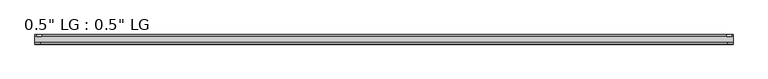
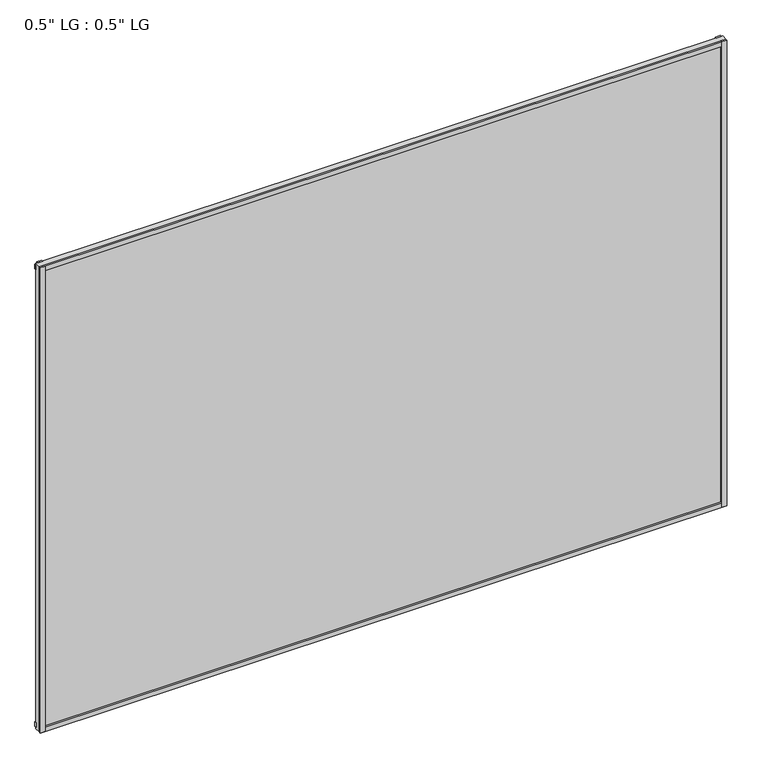
"""IFC4 building model written with IfcOpenShell, lengths in millimetres: plate geometry."""

import ifcopenshell
import ifcopenshell.guid

model = None  # the IFC model being written
_history = None  # IfcOwnerHistory: only IFC2X3 demands one
_inside = {}  # id of a spatial element -> (the spatial element, [elements in it])
_under = {}  # id of a project, library or spatial element -> (it, [spatial elements below it])
_declared = {}  # id of a project -> (the project, [libraries it declares])
_typed = {}  # id of a type object -> (the type object, [elements of that type])
_made_of = {}  # id of a material, layer set ... -> (it, [elements and type objects made of it])


def new_model(schema):
    """Start an empty IFC model of exactly this schema.

    Asked for "IFC4X3", IfcOpenShell would pick the latest addendum, in which some entities
    have other attributes; the version numbers below select the first issue.
    IFC2X3 requires an IfcOwnerHistory on every rooted entity: one is made here for all.
    """
    global model, _history
    if schema == "IFC4X3":
        model = ifcopenshell.file(schema_version=(4, 3, 0, 0))
    else:
        model = ifcopenshell.file(schema=schema)
    _inside.clear()
    _under.clear()
    _declared.clear()
    _typed.clear()
    _made_of.clear()
    _history = None
    if model.schema == "IFC2X3":
        org = make("IfcOrganization", Name="unknown")
        user = make(
            "IfcPersonAndOrganization",
            ThePerson=make("IfcPerson", FamilyName="unknown"),
            TheOrganization=org,
        )
        app = make(
            "IfcApplication",
            ApplicationDeveloper=org,
            Version="unknown",
            ApplicationFullName="unknown",
            ApplicationIdentifier="unknown",
        )
        _history = make(
            "IfcOwnerHistory",
            OwningUser=user,
            OwningApplication=app,
            ChangeAction="ADDED",
            CreationDate=0,
        )
    return model


def make(cls, **values):
    """One entity of the class cls with the attributes given. An attribute that is None is left unset."""
    return model.create_entity(
        cls, **{name: value for name, value in values.items() if value is not None}
    )


def rooted(cls, **values):
    """An entity with a GlobalId (a new one), such as an element, a storey or a relation."""
    return make(cls, GlobalId=ifcopenshell.guid.new(), OwnerHistory=_history, **values)


def si_unit(unit_type, name, prefix=None):
    """IfcSIUnit, for example si_unit("LENGTHUNIT", "METRE", prefix="MILLI")."""
    return make("IfcSIUnit", UnitType=unit_type, Prefix=prefix, Name=name)


def assignment(units):
    """IfcUnitAssignment: the units of a project."""
    return None if units is None else make("IfcUnitAssignment", Units=units)


def point(xyz):
    """IfcCartesianPoint."""
    return None if xyz is None else make("IfcCartesianPoint", Coordinates=xyz)


def direction(xyz):
    """IfcDirection."""
    return None if xyz is None else make("IfcDirection", DirectionRatios=xyz)


def frame(location, z_axis=None, x_axis=None):
    """IfcAxis2Placement3D, a coordinate frame: its origin and axes. An axis left out is left unset."""
    return make(
        "IfcAxis2Placement3D",
        Location=point(location),
        Axis=direction(z_axis),
        RefDirection=direction(x_axis),
    )


def origin():
    """The frame at (0, 0, 0) with its axes left unset."""
    return frame((0.0, 0.0, 0.0))


def origin_with_axes():
    """The frame at (0, 0, 0) with the z axis (0, 0, 1) and the x axis (1, 0, 0) written out."""
    return frame((0.0, 0.0, 0.0), z_axis=(0.0, 0.0, 1.0), x_axis=(1.0, 0.0, 0.0))


def place(relative_to, where):
    """IfcLocalPlacement: puts the frame where relative to a parent placement (None: the world)."""
    return make(
        "IfcLocalPlacement", PlacementRelTo=relative_to, RelativePlacement=where
    )


def context(
    kind, dimensions, precision=None, world=None, true_north=None, identifier=None
):
    """IfcGeometricRepresentationContext, for example the 3D "Model" context."""
    return make(
        "IfcGeometricRepresentationContext",
        ContextIdentifier=identifier,
        ContextType=kind,
        CoordinateSpaceDimension=dimensions,
        Precision=precision,
        WorldCoordinateSystem=world,
        TrueNorth=true_north,
    )


def project(units=None, contexts=None):
    """IfcProject with its units and contexts."""
    return rooted(
        "IfcProject",
        Name="project",
        RepresentationContexts=contexts,
        UnitsInContext=assignment(units),
    )


def spatial(cls, under=None, at=None, **own):
    """A site, building, storey or space (cls), placed at a placement, below another one or the project."""
    s = rooted(cls, ObjectPlacement=at, **own)
    if under is not None:
        _under.setdefault(under.id(), (under, []))[1].append(s)
    return s


def polyline(points):
    """IfcPolyline through the points."""
    return make("IfcPolyline", Points=[point(p) for p in points])


def outline(outer, holes=None, kind="AREA"):
    """IfcArbitraryClosedProfileDef: a profile drawn as a closed curve; with holes, ...WithVoids."""
    if holes is None:
        return make("IfcArbitraryClosedProfileDef", ProfileType=kind, OuterCurve=outer)
    return make(
        "IfcArbitraryProfileDefWithVoids",
        ProfileType=kind,
        OuterCurve=outer,
        InnerCurves=holes,
    )


def extrude(swept, where, along, depth):
    """IfcExtrudedAreaSolid: the profile swept, set in the frame where, extruded along a direction by depth."""
    return make(
        "IfcExtrudedAreaSolid",
        SweptArea=swept,
        Position=where,
        ExtrudedDirection=direction(along),
        Depth=depth,
    )


def shape(context_of_items, identifier, shape_type, items):
    """IfcShapeRepresentation: the items that make up one representation, for example the "Body"."""
    return make(
        "IfcShapeRepresentation",
        ContextOfItems=context_of_items,
        RepresentationIdentifier=identifier,
        RepresentationType=shape_type,
        Items=items,
    )


def source(mapping_origin, context_of_items, identifier, shape_type, items):
    """IfcRepresentationMap: a shape defined once, which mapped items show again and again."""
    return make(
        "IfcRepresentationMap",
        MappingOrigin=mapping_origin,
        MappedRepresentation=shape(context_of_items, identifier, shape_type, items),
    )


def transform(
    local_origin,
    x_axis=None,
    y_axis=None,
    z_axis=None,
    scale=None,
    scale2=None,
    scale3=None,
    uniform=True,
):
    """IfcCartesianTransformationOperator3D, or its non-uniform kind. x_axis, y_axis, z_axis: its Axis1, 2, 3."""
    if uniform:
        return make(
            "IfcCartesianTransformationOperator3D",
            Axis1=direction(x_axis),
            Axis2=direction(y_axis),
            LocalOrigin=point(local_origin),
            Scale=scale,
            Axis3=direction(z_axis),
        )
    return make(
        "IfcCartesianTransformationOperator3DnonUniform",
        Axis1=direction(x_axis),
        Axis2=direction(y_axis),
        LocalOrigin=point(local_origin),
        Scale=scale,
        Axis3=direction(z_axis),
        Scale2=scale2,
        Scale3=scale3,
    )


def mapped(mapping_source, mapping_target):
    """IfcMappedItem: shows the shape of a source again, moved by a transform."""
    return make(
        "IfcMappedItem", MappingSource=mapping_source, MappingTarget=mapping_target
    )


def made_of(thing, what):
    """Note that an element or type object is made of a material, layer set ...; save() writes the relation."""
    if what is not None:
        _made_of.setdefault(what.id(), (what, []))[1].append(thing)
    return thing


def element(
    cls,
    number,
    at=None,
    inside=None,
    cuts=None,
    type_object=None,
    material=None,
    context=None,
    identifier="Body",
    shape_type=None,
    held_by="IfcProductDefinitionShape",
    body=None,
    shapes=None,
    **own,
):
    """One element of the class cls, such as IfcWall. Its Tag is "e" and its number.

    at: its placement. inside: the storey or other place that contains it. cuts: it is an
    opening in that element (IfcRelVoidsElement). A single representation is given by context,
    identifier, shape_type and body (its items); several are given by shapes. held_by: the class
    of the entity that holds the representations. save() writes the other relations.
    """
    e = rooted(cls, Tag="e%d" % number, ObjectPlacement=at, **own)
    if body is not None:
        shapes = [shape(context, identifier, shape_type, body)]
    if shapes is not None:
        e.Representation = make(held_by, Representations=shapes)
    if inside is not None:
        _inside.setdefault(inside.id(), (inside, []))[1].append(e)
    if cuts is not None:
        rooted(
            "IfcRelVoidsElement", RelatingBuildingElement=cuts, RelatedOpeningElement=e
        )
    if type_object is not None:
        _typed.setdefault(type_object.id(), (type_object, []))[1].append(e)
    return made_of(e, material)


def aggregate(whole, parts):
    """IfcRelAggregates: a whole, such as a stair, and the parts it consists of."""
    return rooted("IfcRelAggregates", RelatingObject=whole, RelatedObjects=parts)


def save(model, path):
    """Write the relations noted so far, then the file.

    IfcRelAggregates (storeys below a building ...), IfcRelContainedInSpatialStructure (elements
    in a storey), IfcRelDefinesByType, IfcRelAssociatesMaterial and IfcRelDeclares: one each for
    every whole, place, type object, material and project.
    """
    for whole, parts in _under.values():
        aggregate(whole, parts)
    for where, things in _inside.values():
        rooted(
            "IfcRelContainedInSpatialStructure",
            RelatedElements=things,
            RelatingStructure=where,
        )
    for kind, things in _typed.values():
        rooted("IfcRelDefinesByType", RelatedObjects=things, RelatingType=kind)
    for what, things in _made_of.values():
        rooted("IfcRelAssociatesMaterial", RelatedObjects=things, RelatingMaterial=what)
    for by, libraries in _declared.values():
        rooted("IfcRelDeclares", RelatingContext=by, RelatedDefinitions=libraries)
    model.write(path)


def plate_8e6a1d12(model_context):
    return source(origin(), model_context, "Body", "SweptSolid", [
        extrude(outline(polyline([(825.5, -33.3271813), (825.5, -38.0007813), (813.3623204, -38.0007813), (813.3623204, -33.3271813), (825.5, -33.3271813)])), origin_with_axes(), (0.0, 0.0, 1.0), 1181.7821763),
        extrude(outline(polyline([(821.9686463, -15.5217813), (821.9686463, -19.7127813), (809.9562225, -19.7127813), (809.9562225, -15.5217813), (821.9686463, -15.5217813)])), origin_with_axes(), (0.0, 0.0, 1.0), 1181.7821763),
        extrude(outline(polyline([(-813.209422, -38.0007812), (-825.5, -38.0007812), (-825.5, -33.3271813), (-813.209422, -33.3271813), (-813.209422, -38.0007812)])), origin_with_axes(), (0.0, 0.0, 1.0), 1181.7821763),
        extrude(outline(polyline([(-809.2501841, -19.7127813), (-821.5407621, -19.7127813), (-821.5407621, -15.5217812), (-809.2501841, -15.5217812), (-809.2501841, -19.7127813)])), origin_with_axes(), (0.0, 0.0, 1.0), 1181.7821763),
        extrude(outline(polyline([(825.5, -33.3271813), (825.5, -38.0007813), (-825.5, -38.0007812), (-825.5, -33.3271813), (825.5, -33.3271813)])), origin_with_axes(), (0.0, 0.0, 1.0), 11.1693096),
        extrude(outline(polyline([(825.5, -15.3590708), (825.5, -20.1364307), (-825.5, -20.1364307), (-825.5, -15.3590708), (825.5, -15.3590708)])), frame((0.0, 0.0, 3.848913), z_axis=(0.0, 0.0, 1.0), x_axis=(1.0, 0.0, 0.0)), (0.0, 0.0, 1.0), 11.1693096),
        extrude(outline(polyline([(825.5, -33.3271813), (825.5, -38.0007813), (-825.5, -38.0007812), (-825.5, -33.3271812), (825.5, -33.3271813)])), frame((0.0, 0.0, 1170.6010704), z_axis=(0.0, 0.0, 1.0), x_axis=(1.0, 0.0, 0.0)), (0.0, 0.0, 1.0), 11.1811058),
        extrude(outline(polyline([(825.5, -15.5217813), (825.5, -19.7127813), (-825.5, -19.7127812), (-825.5, -15.5217813), (825.5, -15.5217813)])), frame((0.0, 0.0, 1166.0419237), z_axis=(0.0, 0.0, 1.0), x_axis=(1.0, 0.0, 0.0)), (0.0, 0.0, 1.0), 11.1811058),
        extrude(outline(polyline([(825.5, -33.3271812), (-825.5, -33.3271812), (-825.5, -19.7127812), (825.5, -19.7127812), (825.5, -33.3271812)])), origin_with_axes(), (0.0, 0.0, 1.0), 1181.7821763),
    ])


if __name__ == "__main__":
    model = new_model("IFC4")
    model_context = context("Model", 3, world=origin())
    ifc_project = project(units=[si_unit("LENGTHUNIT", "METRE", prefix="MILLI")], contexts=[model_context])
    site = spatial("IfcSite", under=ifc_project)
    building = spatial("IfcBuilding", under=site)
    placement = place(None, origin())
    plate_shape = plate_8e6a1d12(model_context)
    element("IfcPlate", 1, ObjectType="0.5\" LG : 0.5\" LG", at=placement, inside=building, context=model_context, shape_type="MappedRepresentation", body=[
        mapped(plate_shape, transform((0.0, 0.0, 0.0), x_axis=(1.0, 0.0, 0.0), y_axis=(0.0, 1.0, 0.0), z_axis=(0.0, 0.0, 1.0))),
    ])
    save(model, "model.ifc")
